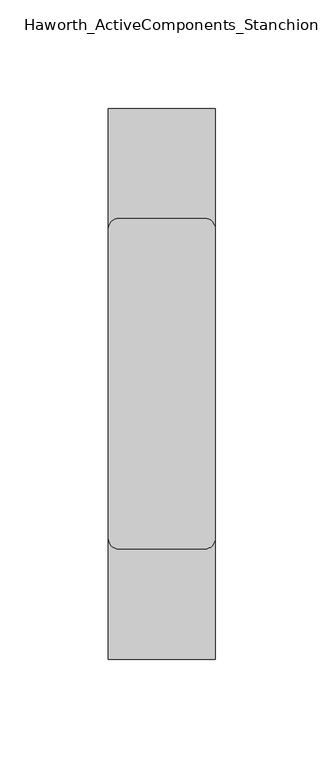
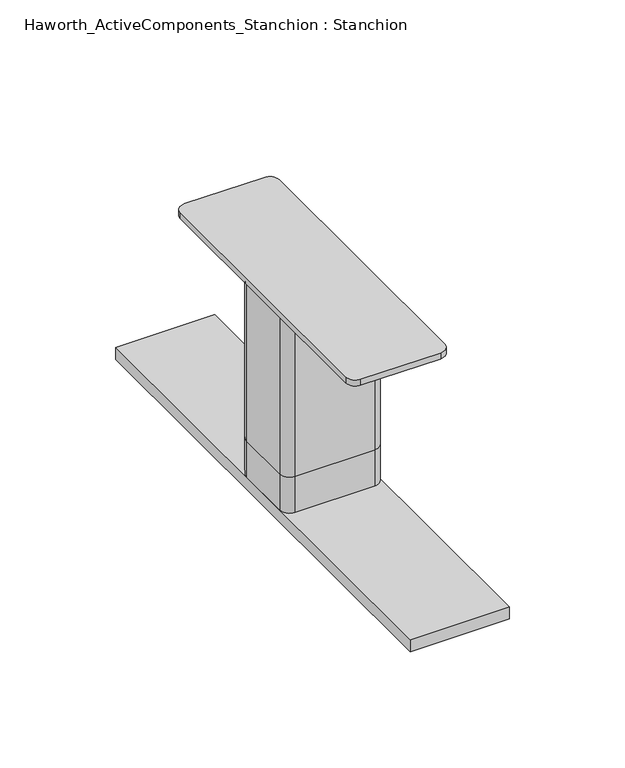
"""IFC4 building model written with IfcOpenShell, lengths in millimetres: furniture geometry, Haworth_ActiveComponents_Stanchion : Stanchion."""

from ifc_helpers import new_model, si_unit, point, frame, frame_2d, origin, place, context, project, spatial, polyline, circle_curve, trimmed, segment, composite_curve, outline, extrude, source, transform, mapped, element, save


def haworth_activecomponents_stanchion_stanchion_d30fe312(model_context):
    return source(origin(), model_context, "Body", "SweptSolid", [
        extrude(outline(composite_curve([segment(trimmed(circle_curve(frame_2d((217.4875, -179.1159766)), 4.7625), [point((217.4875, -174.3534766))], [point((222.25, -179.1159766))], False, "CARTESIAN"), True, "CONTINUOUS"), segment(polyline([(222.25, -179.1159766), (222.25, -321.9909766)]), True, "CONTINUOUS"), segment(trimmed(circle_curve(frame_2d((217.4875, -321.9909766)), 4.7625), [point((222.25, -321.9909766))], [point((217.4875, -326.7534766))], False, "CARTESIAN"), True, "CONTINUOUS"), segment(polyline([(217.4875, -326.7534766), (177.8, -326.7534766)]), True, "CONTINUOUS"), segment(trimmed(circle_curve(frame_2d((177.8, -321.9909766)), 4.7625), [point((177.8, -326.7534766))], [point((173.0375, -321.9909766))], False, "CARTESIAN"), True, "CONTINUOUS"), segment(polyline([(173.0375, -321.9909766), (173.0375, -179.1159766)]), True, "CONTINUOUS"), segment(trimmed(circle_curve(frame_2d((177.8, -179.1159766)), 4.7625), [point((173.0375, -179.1159766))], [point((177.8, -174.3534766))], False, "CARTESIAN"), True, "CONTINUOUS"), segment(polyline([(177.8, -174.3534766), (217.4875, -174.3534766)]), True, "CONTINUOUS")], self_intersect=False)), frame((0.0, 0.0, 844.55), z_axis=(0.0, 0.0, 1.0), x_axis=(1.0, 0.0, 0.0)), (0.0, 0.0, 1.0), 3.175),
        extrude(outline(composite_curve([segment(trimmed(circle_curve(frame_2d((217.4875, -236.1589801)), 4.7625), [point((217.4875, -231.3964801))], [point((222.25, -236.1589801))], False, "CARTESIAN"), True, "CONTINUOUS"), segment(polyline([(222.25, -236.1589801), (222.25, -264.947973)]), True, "CONTINUOUS"), segment(trimmed(circle_curve(frame_2d((217.4875, -264.947973)), 4.7625), [point((222.25, -264.947973))], [point((217.4875, -269.710473))], False, "CARTESIAN"), True, "CONTINUOUS"), segment(polyline([(217.4875, -269.710473), (177.8, -269.710473)]), True, "CONTINUOUS"), segment(trimmed(circle_curve(frame_2d((177.8, -264.947973)), 4.7625), [point((177.8, -269.710473))], [point((173.0375, -264.947973))], False, "CARTESIAN"), True, "CONTINUOUS"), segment(polyline([(173.0375, -264.947973), (173.0375, -236.1589801)]), True, "CONTINUOUS"), segment(trimmed(circle_curve(frame_2d((177.8, -236.1589801)), 4.7625), [point((173.0375, -236.1589801))], [point((177.8, -231.3964801))], False, "CARTESIAN"), True, "CONTINUOUS"), segment(polyline([(177.8, -231.3964801), (217.4875, -231.3964801)]), True, "CONTINUOUS")], self_intersect=False)), frame((0.0, 0.0, 762.0), z_axis=(0.0, 0.0, 1.0), x_axis=(1.0, 0.0, 0.0)), (0.0, 0.0, 1.0), 82.55),
        extrude(outline(composite_curve([segment(trimmed(circle_curve(frame_2d((217.4875, -236.1589801)), 4.7625), [point((217.4875, -231.3964801))], [point((222.25, -236.1589801))], False, "CARTESIAN"), True, "CONTINUOUS"), segment(polyline([(222.25, -236.1589801), (222.25, -264.947973)]), True, "CONTINUOUS"), segment(trimmed(circle_curve(frame_2d((217.4875, -264.947973)), 4.7625), [point((222.25, -264.947973))], [point((217.4875, -269.710473))], False, "CARTESIAN"), True, "CONTINUOUS"), segment(polyline([(217.4875, -269.710473), (177.8, -269.710473)]), True, "CONTINUOUS"), segment(trimmed(circle_curve(frame_2d((177.8, -264.947973)), 4.7625), [point((177.8, -269.710473))], [point((173.0375, -264.947973))], False, "CARTESIAN"), True, "CONTINUOUS"), segment(polyline([(173.0375, -264.947973), (173.0375, -236.1589801)]), True, "CONTINUOUS"), segment(trimmed(circle_curve(frame_2d((177.8, -236.1589801)), 4.7625), [point((173.0375, -236.1589801))], [point((177.8, -231.3964801))], False, "CARTESIAN"), True, "CONTINUOUS"), segment(polyline([(177.8, -231.3964801), (217.4875, -231.3964801)]), True, "CONTINUOUS")], self_intersect=False)), frame((0.0, 0.0, 742.95), z_axis=(0.0, 0.0, 1.0), x_axis=(1.0, 0.0, 0.0)), (0.0, 0.0, 1.0), 19.05),
        extrude(outline(polyline([(222.25, -123.5534766), (222.25, -377.5534766), (173.0375, -377.5534766), (173.0375, -123.5534766), (222.25, -123.5534766)])), frame((0.0, 0.0, 736.6), z_axis=(0.0, 0.0, 1.0), x_axis=(1.0, 0.0, 0.0)), (0.0, 0.0, 1.0), 6.35),
    ])


if __name__ == "__main__":
    model = new_model("IFC4")
    model_context = context("Model", 3, world=origin())
    ifc_project = project(units=[si_unit("LENGTHUNIT", "METRE", prefix="MILLI")], contexts=[model_context])
    site = spatial("IfcSite", under=ifc_project)
    building = spatial("IfcBuilding", under=site)
    placement = place(None, origin())
    haworth_activecomponents_stanchion_stanchion_shape = haworth_activecomponents_stanchion_stanchion_d30fe312(model_context)
    element("IfcFurniture", 1, ObjectType="Haworth_ActiveComponents_Stanchion : Stanchion", at=placement, inside=building, context=model_context, shape_type="MappedRepresentation", body=[
        mapped(haworth_activecomponents_stanchion_stanchion_shape, transform((0.0, 0.0, 0.0), x_axis=(1.0, 0.0, 0.0), y_axis=(0.0, 1.0, 0.0), z_axis=(0.0, 0.0, 1.0))),
    ])
    save(model, "model.ifc")
